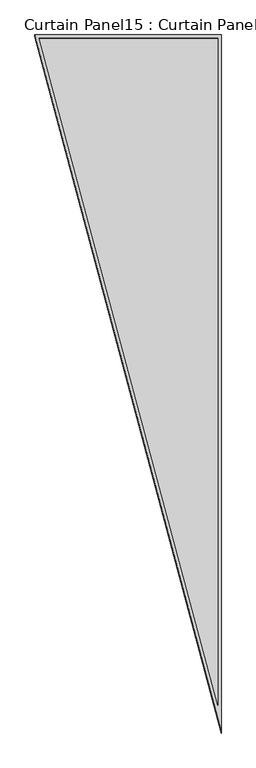
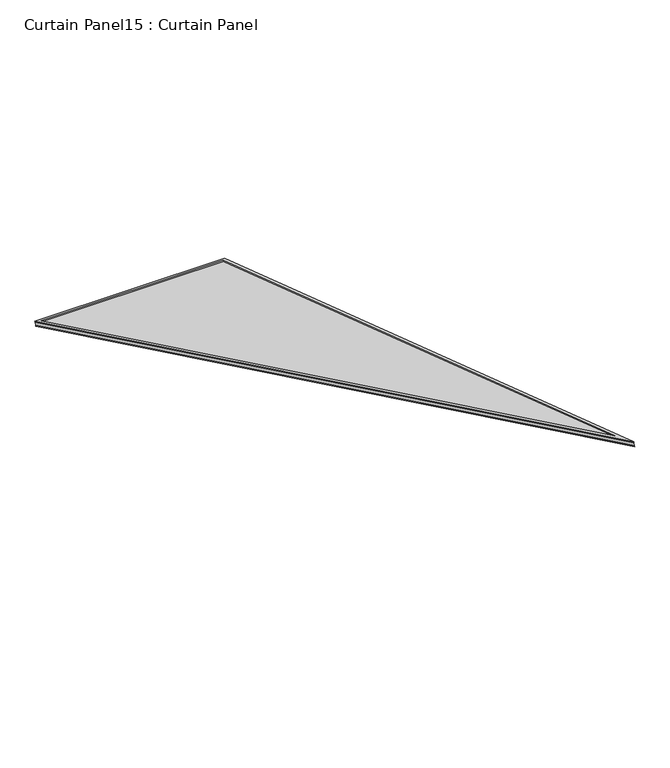
"""IFC4 building model written with IfcOpenShell, lengths in millimetres: plate geometry, Curtain Panel15 : Curtain Panel."""

import ifcopenshell
import ifcopenshell.guid

model = None  # the IFC model being written
_history = None  # IfcOwnerHistory: only IFC2X3 demands one
_inside = {}  # id of a spatial element -> (the spatial element, [elements in it])
_under = {}  # id of a project, library or spatial element -> (it, [spatial elements below it])
_declared = {}  # id of a project -> (the project, [libraries it declares])
_typed = {}  # id of a type object -> (the type object, [elements of that type])
_made_of = {}  # id of a material, layer set ... -> (it, [elements and type objects made of it])


def new_model(schema):
    """Start an empty IFC model of exactly this schema.

    Asked for "IFC4X3", IfcOpenShell would pick the latest addendum, in which some entities
    have other attributes; the version numbers below select the first issue.
    IFC2X3 requires an IfcOwnerHistory on every rooted entity: one is made here for all.
    """
    global model, _history
    if schema == "IFC4X3":
        model = ifcopenshell.file(schema_version=(4, 3, 0, 0))
    else:
        model = ifcopenshell.file(schema=schema)
    _inside.clear()
    _under.clear()
    _declared.clear()
    _typed.clear()
    _made_of.clear()
    _history = None
    if model.schema == "IFC2X3":
        org = make("IfcOrganization", Name="unknown")
        user = make(
            "IfcPersonAndOrganization",
            ThePerson=make("IfcPerson", FamilyName="unknown"),
            TheOrganization=org,
        )
        app = make(
            "IfcApplication",
            ApplicationDeveloper=org,
            Version="unknown",
            ApplicationFullName="unknown",
            ApplicationIdentifier="unknown",
        )
        _history = make(
            "IfcOwnerHistory",
            OwningUser=user,
            OwningApplication=app,
            ChangeAction="ADDED",
            CreationDate=0,
        )
    return model


def make(cls, **values):
    """One entity of the class cls with the attributes given. An attribute that is None is left unset."""
    return model.create_entity(
        cls, **{name: value for name, value in values.items() if value is not None}
    )


def rooted(cls, **values):
    """An entity with a GlobalId (a new one), such as an element, a storey or a relation."""
    return make(cls, GlobalId=ifcopenshell.guid.new(), OwnerHistory=_history, **values)


def si_unit(unit_type, name, prefix=None):
    """IfcSIUnit, for example si_unit("LENGTHUNIT", "METRE", prefix="MILLI")."""
    return make("IfcSIUnit", UnitType=unit_type, Prefix=prefix, Name=name)


def assignment(units):
    """IfcUnitAssignment: the units of a project."""
    return None if units is None else make("IfcUnitAssignment", Units=units)


def point(xyz):
    """IfcCartesianPoint."""
    return None if xyz is None else make("IfcCartesianPoint", Coordinates=xyz)


def direction(xyz):
    """IfcDirection."""
    return None if xyz is None else make("IfcDirection", DirectionRatios=xyz)


def frame(location, z_axis=None, x_axis=None):
    """IfcAxis2Placement3D, a coordinate frame: its origin and axes. An axis left out is left unset."""
    return make(
        "IfcAxis2Placement3D",
        Location=point(location),
        Axis=direction(z_axis),
        RefDirection=direction(x_axis),
    )


def origin():
    """The frame at (0, 0, 0) with its axes left unset."""
    return frame((0.0, 0.0, 0.0))


def place(relative_to, where):
    """IfcLocalPlacement: puts the frame where relative to a parent placement (None: the world)."""
    return make(
        "IfcLocalPlacement", PlacementRelTo=relative_to, RelativePlacement=where
    )


def context(
    kind, dimensions, precision=None, world=None, true_north=None, identifier=None
):
    """IfcGeometricRepresentationContext, for example the 3D "Model" context."""
    return make(
        "IfcGeometricRepresentationContext",
        ContextIdentifier=identifier,
        ContextType=kind,
        CoordinateSpaceDimension=dimensions,
        Precision=precision,
        WorldCoordinateSystem=world,
        TrueNorth=true_north,
    )


def project(units=None, contexts=None):
    """IfcProject with its units and contexts."""
    return rooted(
        "IfcProject",
        Name="project",
        RepresentationContexts=contexts,
        UnitsInContext=assignment(units),
    )


def spatial(cls, under=None, at=None, **own):
    """A site, building, storey or space (cls), placed at a placement, below another one or the project."""
    s = rooted(cls, ObjectPlacement=at, **own)
    if under is not None:
        _under.setdefault(under.id(), (under, []))[1].append(s)
    return s


def polyline(points):
    """IfcPolyline through the points."""
    return make("IfcPolyline", Points=[point(p) for p in points])


def outline(outer, holes=None, kind="AREA"):
    """IfcArbitraryClosedProfileDef: a profile drawn as a closed curve; with holes, ...WithVoids."""
    if holes is None:
        return make("IfcArbitraryClosedProfileDef", ProfileType=kind, OuterCurve=outer)
    return make(
        "IfcArbitraryProfileDefWithVoids",
        ProfileType=kind,
        OuterCurve=outer,
        InnerCurves=holes,
    )


def extrude(swept, where, along, depth):
    """IfcExtrudedAreaSolid: the profile swept, set in the frame where, extruded along a direction by depth."""
    return make(
        "IfcExtrudedAreaSolid",
        SweptArea=swept,
        Position=where,
        ExtrudedDirection=direction(along),
        Depth=depth,
    )


def shape(context_of_items, identifier, shape_type, items):
    """IfcShapeRepresentation: the items that make up one representation, for example the "Body"."""
    return make(
        "IfcShapeRepresentation",
        ContextOfItems=context_of_items,
        RepresentationIdentifier=identifier,
        RepresentationType=shape_type,
        Items=items,
    )


def source(mapping_origin, context_of_items, identifier, shape_type, items):
    """IfcRepresentationMap: a shape defined once, which mapped items show again and again."""
    return make(
        "IfcRepresentationMap",
        MappingOrigin=mapping_origin,
        MappedRepresentation=shape(context_of_items, identifier, shape_type, items),
    )


def transform(
    local_origin,
    x_axis=None,
    y_axis=None,
    z_axis=None,
    scale=None,
    scale2=None,
    scale3=None,
    uniform=True,
):
    """IfcCartesianTransformationOperator3D, or its non-uniform kind. x_axis, y_axis, z_axis: its Axis1, 2, 3."""
    if uniform:
        return make(
            "IfcCartesianTransformationOperator3D",
            Axis1=direction(x_axis),
            Axis2=direction(y_axis),
            LocalOrigin=point(local_origin),
            Scale=scale,
            Axis3=direction(z_axis),
        )
    return make(
        "IfcCartesianTransformationOperator3DnonUniform",
        Axis1=direction(x_axis),
        Axis2=direction(y_axis),
        LocalOrigin=point(local_origin),
        Scale=scale,
        Axis3=direction(z_axis),
        Scale2=scale2,
        Scale3=scale3,
    )


def mapped(mapping_source, mapping_target):
    """IfcMappedItem: shows the shape of a source again, moved by a transform."""
    return make(
        "IfcMappedItem", MappingSource=mapping_source, MappingTarget=mapping_target
    )


def made_of(thing, what):
    """Note that an element or type object is made of a material, layer set ...; save() writes the relation."""
    if what is not None:
        _made_of.setdefault(what.id(), (what, []))[1].append(thing)
    return thing


def element(
    cls,
    number,
    at=None,
    inside=None,
    cuts=None,
    type_object=None,
    material=None,
    context=None,
    identifier="Body",
    shape_type=None,
    held_by="IfcProductDefinitionShape",
    body=None,
    shapes=None,
    **own,
):
    """One element of the class cls, such as IfcWall. Its Tag is "e" and its number.

    at: its placement. inside: the storey or other place that contains it. cuts: it is an
    opening in that element (IfcRelVoidsElement). A single representation is given by context,
    identifier, shape_type and body (its items); several are given by shapes. held_by: the class
    of the entity that holds the representations. save() writes the other relations.
    """
    e = rooted(cls, Tag="e%d" % number, ObjectPlacement=at, **own)
    if body is not None:
        shapes = [shape(context, identifier, shape_type, body)]
    if shapes is not None:
        e.Representation = make(held_by, Representations=shapes)
    if inside is not None:
        _inside.setdefault(inside.id(), (inside, []))[1].append(e)
    if cuts is not None:
        rooted(
            "IfcRelVoidsElement", RelatingBuildingElement=cuts, RelatedOpeningElement=e
        )
    if type_object is not None:
        _typed.setdefault(type_object.id(), (type_object, []))[1].append(e)
    return made_of(e, material)


def aggregate(whole, parts):
    """IfcRelAggregates: a whole, such as a stair, and the parts it consists of."""
    return rooted("IfcRelAggregates", RelatingObject=whole, RelatedObjects=parts)


def save(model, path):
    """Write the relations noted so far, then the file.

    IfcRelAggregates (storeys below a building ...), IfcRelContainedInSpatialStructure (elements
    in a storey), IfcRelDefinesByType, IfcRelAssociatesMaterial and IfcRelDeclares: one each for
    every whole, place, type object, material and project.
    """
    for whole, parts in _under.values():
        aggregate(whole, parts)
    for where, things in _inside.values():
        rooted(
            "IfcRelContainedInSpatialStructure",
            RelatedElements=things,
            RelatingStructure=where,
        )
    for kind, things in _typed.values():
        rooted("IfcRelDefinesByType", RelatedObjects=things, RelatingType=kind)
    for what, things in _made_of.values():
        rooted("IfcRelAssociatesMaterial", RelatedObjects=things, RelatingMaterial=what)
    for by, libraries in _declared.values():
        rooted("IfcRelDeclares", RelatingContext=by, RelatedDefinitions=libraries)
    model.write(path)


def curtain_panel15_curtain_panel_7ad3420b(model_context):
    return source(origin(), model_context, "Body", "SweptSolid", [
        extrude(outline(polyline([(901.2037176, 0.0), (901.2037176, -3545.1675498), (0.0, 0.0), (901.2037176, 0.0)]), holes=[polyline([(884.5409198, -16.6627979), (21.4285394, -16.6627979), (884.5409198, -3411.9861226), (884.5409198, -16.6627979)])]), frame((10517.8924718, 7991.6005881, 898.6660598), z_axis=(0.0, 0.316145823973806, 0.948710608132914), x_axis=(1.0, 0.0, 0.0)), (0.0, 0.0, 1.0), 4.8676944),
        extrude(outline(polyline([(901.2037176, 0.0), (901.2037176, -3545.1675499), (0.0, 0.0), (901.2037176, 0.0)]), holes=[polyline([(890.8909198, -10.3127979), (13.2623703, -10.3127979), (890.8909198, -3462.7400277), (890.8909198, -10.3127979)])]), frame((10517.8924718, 7986.0392477, 881.9772337), z_axis=(0.0, 0.3161458239738059, 0.948710608132914), x_axis=(1.0, 0.0, 0.0)), (0.0, 0.0, 1.0), 4.6914358),
        extrude(outline(polyline([(3.5517961, 0.0), (904.7555137, 0.0), (904.7555137, -3545.1675499), (3.5517961, 0.0)])), frame((10514.3406757, 7987.5517498, 886.5160467), z_axis=(0.0, 0.3161458239738058, 0.948710608132914), x_axis=(1.0, 0.0, 0.0)), (0.0, 0.0, 1.0), 12.8068697),
    ])


if __name__ == "__main__":
    model = new_model("IFC4")
    model_context = context("Model", 3, world=origin())
    ifc_project = project(units=[si_unit("LENGTHUNIT", "METRE", prefix="MILLI")], contexts=[model_context])
    site = spatial("IfcSite", under=ifc_project)
    building = spatial("IfcBuilding", under=site)
    placement = place(None, origin())
    curtain_panel15_curtain_panel_shape = curtain_panel15_curtain_panel_7ad3420b(model_context)
    element("IfcPlate", 1, ObjectType="Curtain Panel15 : Curtain Panel", at=placement, inside=building, context=model_context, shape_type="MappedRepresentation", body=[
        mapped(curtain_panel15_curtain_panel_shape, transform((0.0, 0.0, 0.0), x_axis=(1.0, 0.0, 0.0), y_axis=(0.0, 1.0, 0.0), z_axis=(0.0, 0.0, 1.0))),
    ])
    save(model, "model.ifc")
